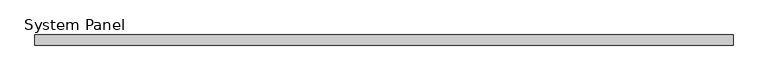
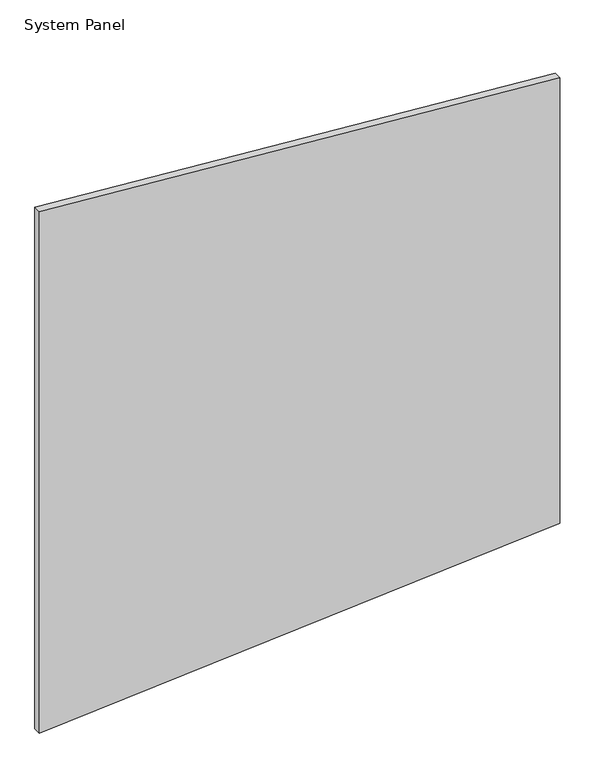
"""IFC4 building model written with IfcOpenShell, lengths in millimetres: plate geometry, System Panel."""

from ifc_helpers import new_model, si_unit, frame, origin, place, context, project, spatial, polyline, outline, extrude, source, transform, mapped, element, save


def system_panel_f01b19ae(model_context):
    return source(origin(), model_context, "Body", "SweptSolid", [
        extrude(outline(polyline([(0.0, -660.9815753), (100.8955476, 660.9815753), (1297.6004814, 660.9815753), (1400.8059041, -660.9815753), (0.0, -660.9815753)])), frame((0.0, -10.0, 0.0), z_axis=(0.0, 1.0, 0.0), x_axis=(0.0, 0.0, 1.0)), (0.0, 0.0, 1.0), 20.0),
    ])


if __name__ == "__main__":
    model = new_model("IFC4")
    model_context = context("Model", 3, world=origin())
    ifc_project = project(units=[si_unit("LENGTHUNIT", "METRE", prefix="MILLI")], contexts=[model_context])
    site = spatial("IfcSite", under=ifc_project)
    building = spatial("IfcBuilding", under=site)
    placement = place(None, origin())
    system_panel_shape = system_panel_f01b19ae(model_context)
    element("IfcPlate", 1, ObjectType="System Panel", at=placement, inside=building, context=model_context, shape_type="MappedRepresentation", body=[
        mapped(system_panel_shape, transform((0.0, 0.0, 0.0), x_axis=(1.0, 0.0, 0.0), y_axis=(0.0, 1.0, 0.0), z_axis=(0.0, 0.0, 1.0))),
    ])
    save(model, "model.ifc")
